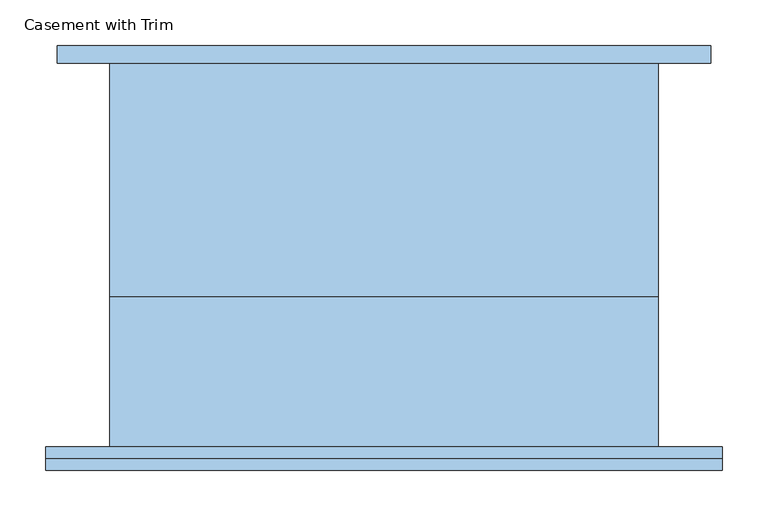
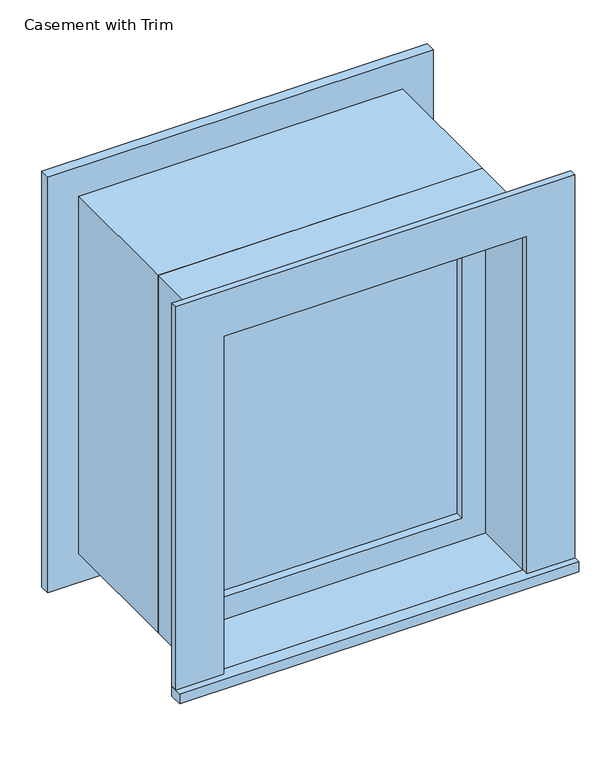
"""IFC4 building model written with IfcOpenShell, lengths in millimetres: window geometry, Casement with Trim."""

from ifc_helpers import new_model, si_unit, frame, origin, place, context, project, spatial, polyline, outline, extrude, source, transform, mapped, element, save


def casement_with_trim_c5f4c5d4(model_context):
    return source(origin(), model_context, "Body", "SweptSolid", [
        extrude(outline(polyline([(-369.85, -235.4), (-369.85, -210.0), (369.85, -210.0), (369.85, -235.4), (-369.85, -235.4)])), frame((0.0, 0.0, 914.4), z_axis=(0.0, 0.0, 1.0), x_axis=(1.0, 0.0, 0.0)), (0.0, 0.0, 1.0), 19.05),
        extrude(outline(polyline([(1595.35, -280.95), (1595.35, 280.95), (933.45, 280.95), (933.45, 369.85), (1684.25, 369.85), (1684.25, -369.85), (933.45, -369.85), (933.45, -280.95), (1595.35, -280.95)])), frame((0.0, -222.7, 0.0), z_axis=(0.0, 1.0, 0.0), x_axis=(0.0, 0.0, 1.0)), (0.0, 0.0, 1.0), 12.7),
        extrude(outline(polyline([(1671.55, 357.15), (1671.55, -357.15), (857.25, -357.15), (857.25, 357.15), (1671.55, 357.15)]), holes=[polyline([(1582.65, 268.25), (946.15, 268.25), (946.15, -268.25), (1582.65, -268.25), (1582.65, 268.25)])]), frame((0.0, 210.0, 0.0), z_axis=(0.0, 1.0, 0.0), x_axis=(0.0, 0.0, 1.0)), (0.0, 0.0, 1.0), 19.05),
        extrude(outline(polyline([(236.5, -61.425), (236.5, -74.125), (-236.5, -74.125), (-236.5, -61.425), (236.5, -61.425)])), frame((0.0, 0.0, 977.9), z_axis=(0.0, 0.0, 1.0), x_axis=(1.0, 0.0, 0.0)), (0.0, 0.0, 1.0), 573.0),
        extrude(outline(polyline([(1595.35, -280.95), (933.45, -280.95), (933.45, 280.95), (1595.35, 280.95), (1595.35, -280.95)]), holes=[polyline([(1550.9, -236.5), (1550.9, 236.5), (977.9, 236.5), (977.9, -236.5), (1550.9, -236.5)])]), frame((0.0, -90.0, 0.0), z_axis=(0.0, 1.0, 0.0), x_axis=(0.0, 0.0, 1.0)), (0.0, 0.0, 1.0), 44.45),
        extrude(outline(polyline([(1614.4, -300.0), (914.4, -300.0), (914.4, 300.0), (1614.4, 300.0), (1614.4, -300.0)]), holes=[polyline([(1582.65, -268.25), (1582.65, 268.25), (946.15, 268.25), (946.15, -268.25), (1582.65, -268.25)])]), frame((0.0, -45.55, 0.0), z_axis=(0.0, 1.0, 0.0), x_axis=(0.0, 0.0, 1.0)), (0.0, 0.0, 1.0), 255.55),
        extrude(outline(polyline([(1614.4, 300.0), (1614.4, -300.0), (914.4, -300.0), (914.4, 300.0), (1614.4, 300.0)]), holes=[polyline([(1595.35, 280.95), (933.45, 280.95), (933.45, -280.95), (1595.35, -280.95), (1595.35, 280.95)])]), frame((0.0, -210.0, 0.0), z_axis=(0.0, 1.0, 0.0), x_axis=(0.0, 0.0, 1.0)), (0.0, 0.0, 1.0), 164.45),
    ])


if __name__ == "__main__":
    model = new_model("IFC4")
    model_context = context("Model", 3, world=origin())
    ifc_project = project(units=[si_unit("LENGTHUNIT", "METRE", prefix="MILLI")], contexts=[model_context])
    site = spatial("IfcSite", under=ifc_project)
    building = spatial("IfcBuilding", under=site)
    placement = place(None, origin())
    casement_with_trim_shape = casement_with_trim_c5f4c5d4(model_context)
    element("IfcWindow", 1, ObjectType="Casement with Trim", at=placement, inside=building, context=model_context, shape_type="MappedRepresentation", body=[
        mapped(casement_with_trim_shape, transform((0.0, 0.0, 0.0), x_axis=(1.0, 0.0, 0.0), y_axis=(0.0, 1.0, 0.0), z_axis=(0.0, 0.0, 1.0))),
    ])
    save(model, "model.ifc")
